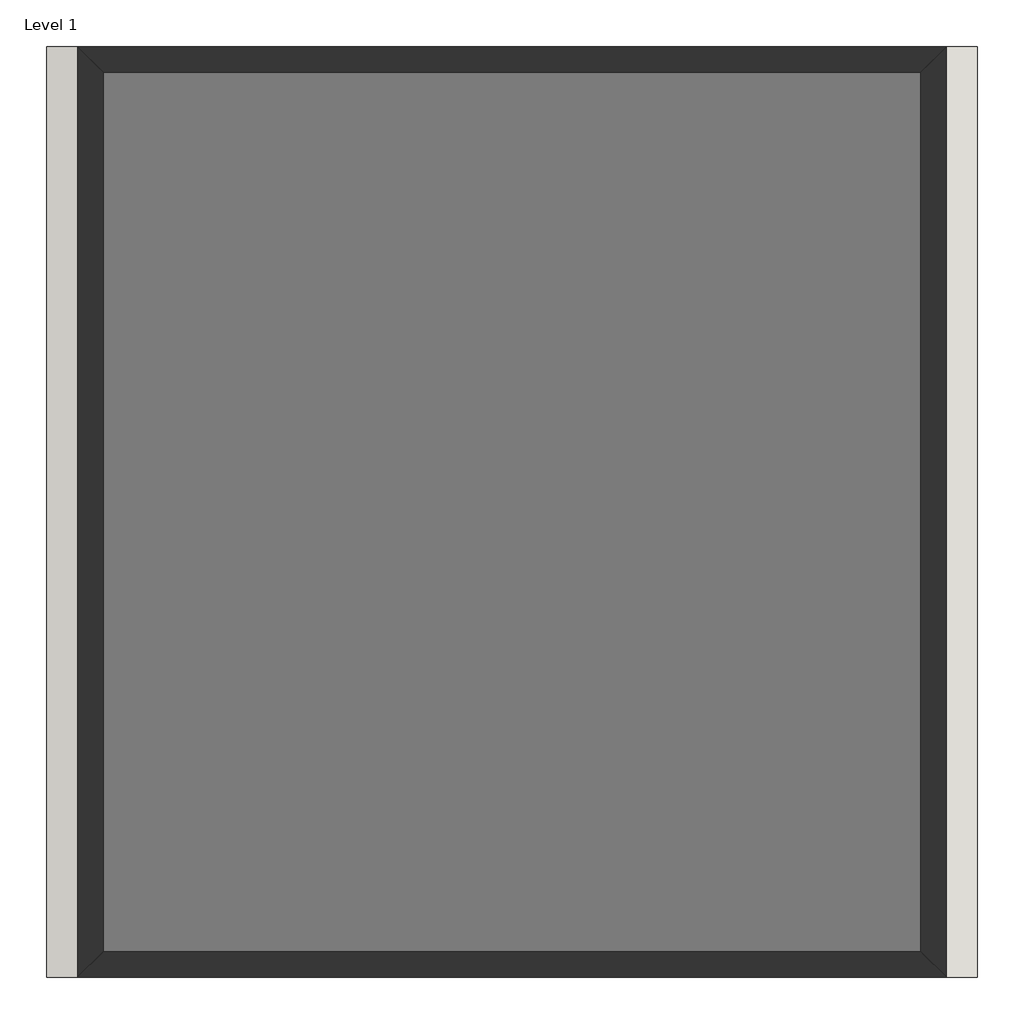
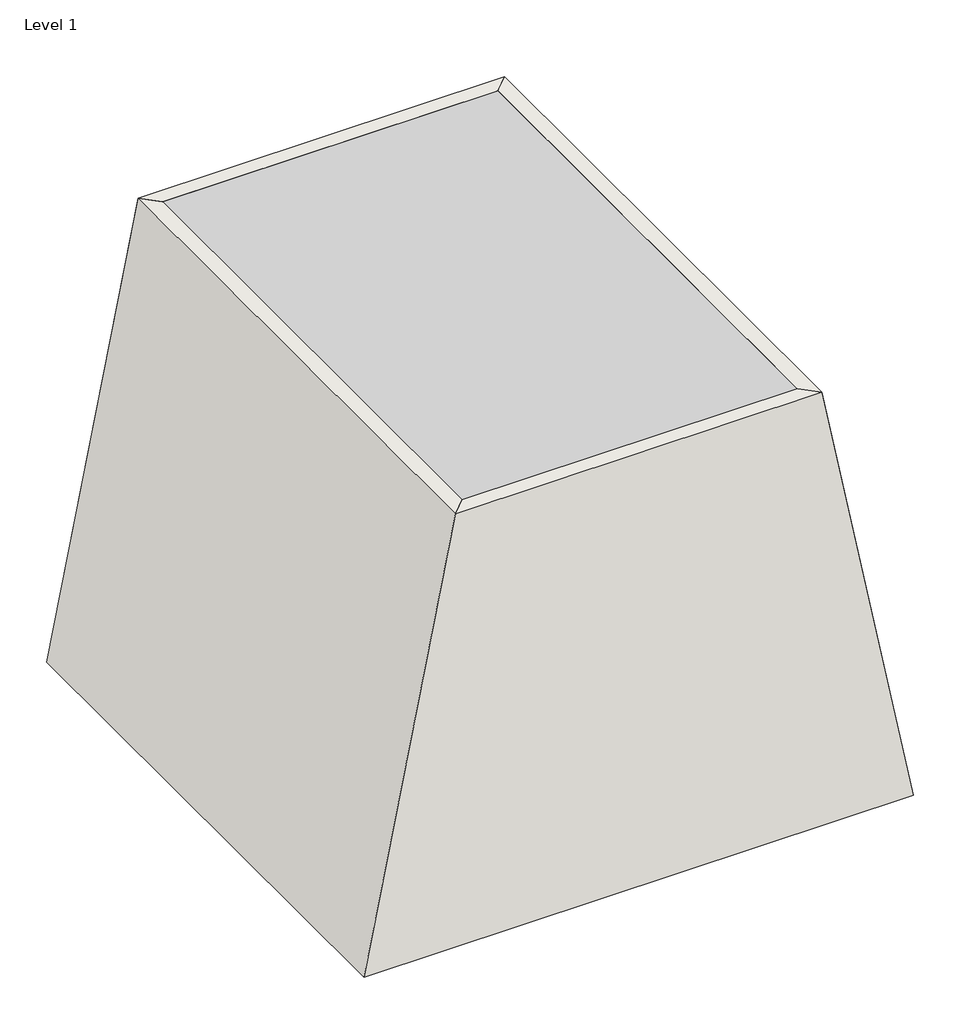
# One storey: 4 walls, 1 proxy.
"""IFC4 building model written with IfcOpenShell, lengths in millimetres."""

from ifc_helpers import new_model, si_unit, frame, origin, place, context, project, spatial, polyline, outline, extrude, faceted_brep, element, save

model = new_model("IFC4")

# Units and contexts
model_context = context("Model", 3, world=origin())
ifc_project = project(units=[si_unit("LENGTHUNIT", "METRE", prefix="MILLI")], contexts=[model_context])

# Site, building, storey
site = spatial("IfcSite", under=ifc_project)
building = spatial("IfcBuilding", under=site)
storey = spatial("IfcBuildingStorey", under=building, Name="Level 1", Elevation=0.0)

# Proxy
placement = place(None, origin())
element("IfcBuildingElementProxy", 1, Name="Mass 1 : Mass 1", ObjectType="Mass 1 : Mass 1", at=placement, inside=storey, context=model_context, shape_type="SweptSolid", body=[
    extrude(outline(polyline([(0.0, 1366.7408696), (0.0, 8681.9408696), (6096.0, 7462.7408696), (6096.0, 2585.9408696), (0.0, 1366.7408696)])), frame((0.0, -4251.7391304, 0.0), z_axis=(0.0, 1.0, 0.0), x_axis=(0.0, 0.0, 1.0)), (0.0, 0.0, 1.0), 7315.2),
])

# Walls
element("IfcWall", 2, ObjectType="Wall 1", at=placement, inside=storey, context=model_context, shape_type="Brep", body=[
    faceted_brep([(8474.7167165, -4048.5391304, 0.0), (7255.5167165, -4048.5391304, 6096.0), (7255.5167165, 2860.2608696, 6096.0), (8474.7167165, 2860.2608696, 0.0), (8681.9408696, -4251.7391304, 0.0), (8681.9408696, 3063.4608696, 0.0), (7462.7408696, 3063.4608696, 6096.0), (7462.7408696, -4251.7391304, 6096.0)], [[[0, 1, 2, 3]], [[4, 5, 6, 7]], [[5, 4, 0, 3]], [[7, 6, 2, 1]], [[4, 7, 1, 0]], [[6, 5, 3, 2]]]),
])
element("IfcWall", 3, ObjectType="Wall 1", at=placement, inside=storey, context=model_context, shape_type="Brep", body=[
    faceted_brep([(8681.9408696, -4251.7391304, 0.0), (7462.7408696, -4251.7391304, 6096.0), (2585.9408696, -4251.7391304, 6096.0), (1366.7408696, -4251.7391304, 0.0), (8474.7167165, -4048.5391304, 0.0), (1573.9650226, -4048.5391304, 0.0), (2793.1650226, -4048.5391304, 6096.0), (7255.5167165, -4048.5391304, 6096.0)], [[[0, 1, 2, 3]], [[4, 5, 6, 7]], [[2, 1, 7, 6]], [[0, 3, 5, 4]], [[1, 0, 4, 7]], [[3, 2, 6, 5]]]),
])
element("IfcWall", 4, ObjectType="Wall 1", at=placement, inside=storey, context=model_context, shape_type="Brep", body=[
    faceted_brep([(1573.9650226, 2860.2608696, 0.0), (2793.1650226, 2860.2608696, 6096.0), (2793.1650226, -4048.5391304, 6096.0), (1573.9650226, -4048.5391304, 0.0), (1366.7408696, 3063.4608696, 0.0), (1366.7408696, -4251.7391304, 0.0), (2585.9408696, -4251.7391304, 6096.0), (2585.9408696, 3063.4608696, 6096.0)], [[[0, 1, 2, 3]], [[4, 5, 6, 7]], [[5, 4, 0, 3]], [[7, 6, 2, 1]], [[6, 5, 3, 2]], [[4, 7, 1, 0]]]),
])
element("IfcWall", 5, ObjectType="Wall 1", at=placement, inside=storey, context=model_context, shape_type="Brep", body=[
    faceted_brep([(1366.7408696, 3063.4608696, 0.0), (2585.9408696, 3063.4608696, 6096.0), (7462.7408696, 3063.4608696, 6096.0), (8681.9408696, 3063.4608696, 0.0), (1573.9650226, 2860.2608696, 0.0), (8474.7167165, 2860.2608696, 0.0), (7255.5167165, 2860.2608696, 6096.0), (2793.1650226, 2860.2608696, 6096.0)], [[[0, 1, 2, 3]], [[4, 5, 6, 7]], [[2, 1, 7, 6]], [[0, 3, 5, 4]], [[3, 2, 6, 5]], [[1, 0, 4, 7]]]),
])

save(model, "model.ifc")
